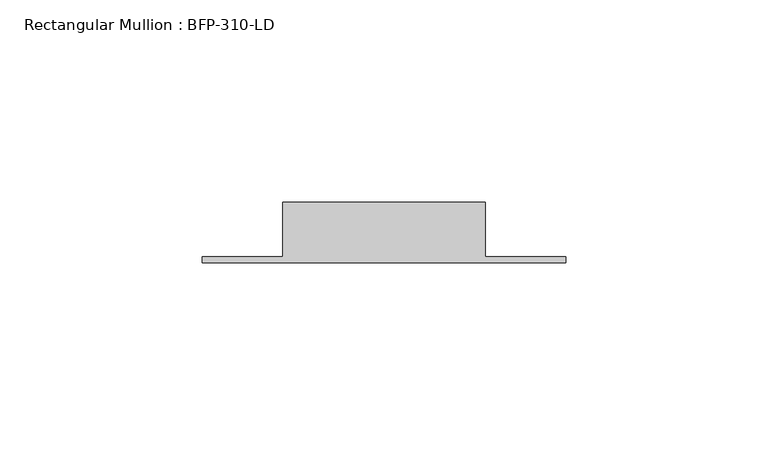
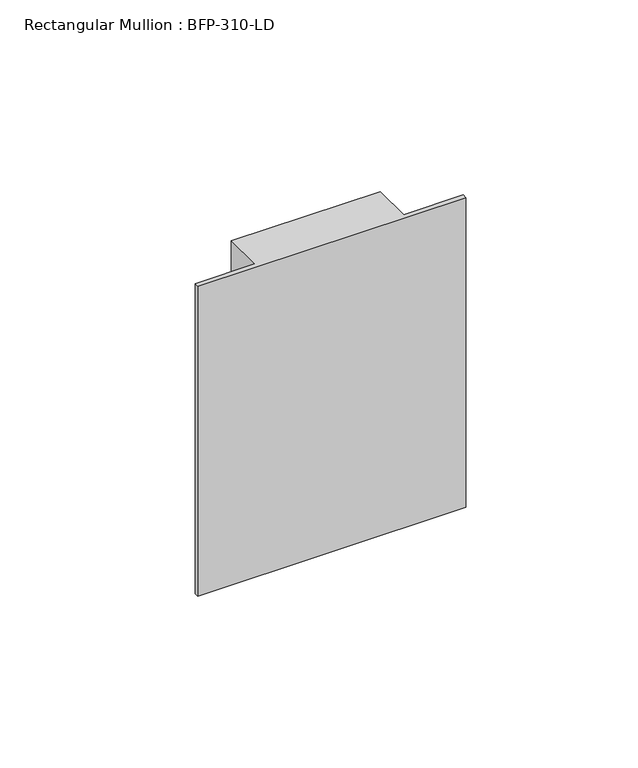
"""IFC4 building model written with IfcOpenShell, lengths in millimetres: member geometry, Rectangular Mullion : BFP-310-LD."""

from ifc_helpers import new_model, si_unit, frame, origin, place, context, project, spatial, polyline, outline, extrude, source, transform, mapped, element, save


def rectangular_mullion_bfp_310_ld_38051b61(model_context):
    return source(origin(), model_context, "Body", "SweptSolid", [
        extrude(outline(polyline([(-70.0, 17.0), (-20.0, 17.0), (-20.0, 3.5), (0.0, 3.5), (0.0, 2.0), (-90.0, 2.0), (-90.0, 3.5), (-70.0, 3.5), (-70.0, 17.0)])), frame((0.0, 0.0, -110.0), z_axis=(0.0, 0.0, 1.0), x_axis=(1.0, 0.0, 0.0)), (0.0, 0.0, 1.0), 110.0),
    ])


if __name__ == "__main__":
    model = new_model("IFC4")
    model_context = context("Model", 3, world=origin())
    ifc_project = project(units=[si_unit("LENGTHUNIT", "METRE", prefix="MILLI")], contexts=[model_context])
    site = spatial("IfcSite", under=ifc_project)
    building = spatial("IfcBuilding", under=site)
    placement = place(None, origin())
    rectangular_mullion_bfp_310_ld_shape = rectangular_mullion_bfp_310_ld_38051b61(model_context)
    element("IfcMember", 1, ObjectType="Rectangular Mullion : BFP-310-LD", at=placement, inside=building, context=model_context, shape_type="MappedRepresentation", body=[
        mapped(rectangular_mullion_bfp_310_ld_shape, transform((0.0, 0.0, 0.0), x_axis=(1.0, 0.0, 0.0), y_axis=(0.0, 1.0, 0.0), z_axis=(0.0, 0.0, 1.0))),
    ])
    save(model, "model.ifc")
